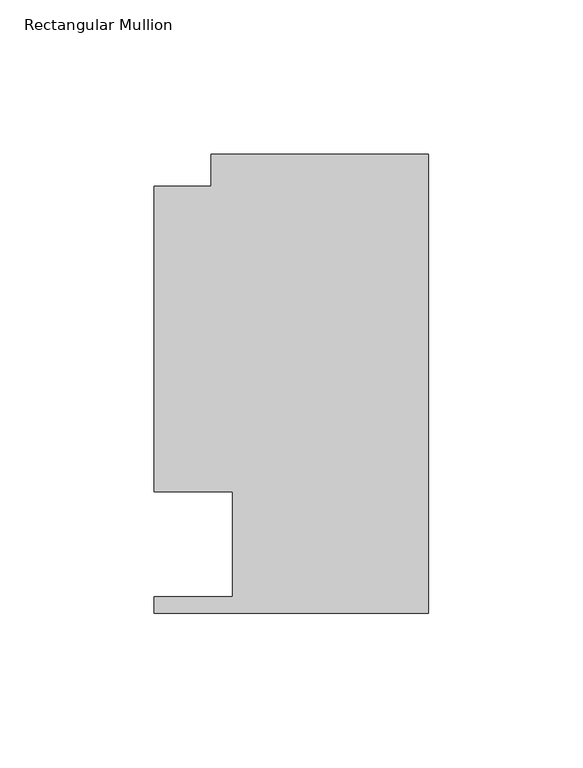
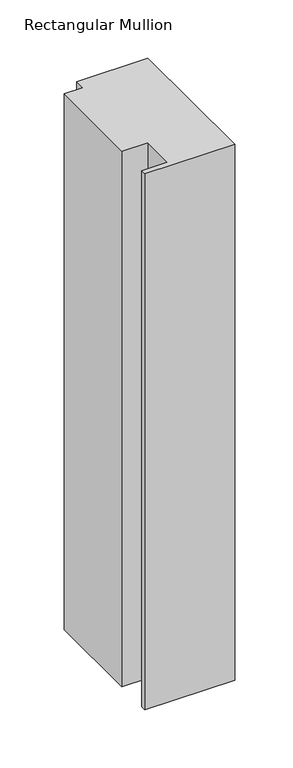
"""IFC4 building model written with IfcOpenShell, lengths in millimetres: member geometry, Rectangular Mullion."""

from ifc_helpers import new_model, si_unit, frame, origin, place, context, project, spatial, polyline, outline, extrude, source, transform, mapped, element, save


def rectangular_mullion_37d79558(model_context):
    return source(origin(), model_context, "Body", "SweptSolid", [
        extrude(outline(polyline([(0.0, 148.737016), (0.0, 0.0198437), (-88.9090899, 0.0198437), (-88.9090899, 5.3538437), (-63.5090899, 5.3538437), (-63.5090899, 39.3898438), (-88.9090899, 39.3898438), (-88.9090899, 138.3230199), (-70.3924898, 138.3230199), (-70.3924898, 148.737016), (0.0, 148.737016)])), frame((0.0, 0.0, -561.487016), z_axis=(0.0, 0.0, 1.0), x_axis=(1.0, 0.0, 0.0)), (0.0, 0.0, 1.0), 561.487016),
    ])


if __name__ == "__main__":
    model = new_model("IFC4")
    model_context = context("Model", 3, world=origin())
    ifc_project = project(units=[si_unit("LENGTHUNIT", "METRE", prefix="MILLI")], contexts=[model_context])
    site = spatial("IfcSite", under=ifc_project)
    building = spatial("IfcBuilding", under=site)
    placement = place(None, origin())
    rectangular_mullion_shape = rectangular_mullion_37d79558(model_context)
    element("IfcMember", 1, ObjectType="Rectangular Mullion", at=placement, inside=building, context=model_context, shape_type="MappedRepresentation", body=[
        mapped(rectangular_mullion_shape, transform((0.0, 0.0, 0.0), x_axis=(1.0, 0.0, 0.0), y_axis=(0.0, 1.0, 0.0), z_axis=(0.0, 0.0, 1.0))),
    ])
    save(model, "model.ifc")
